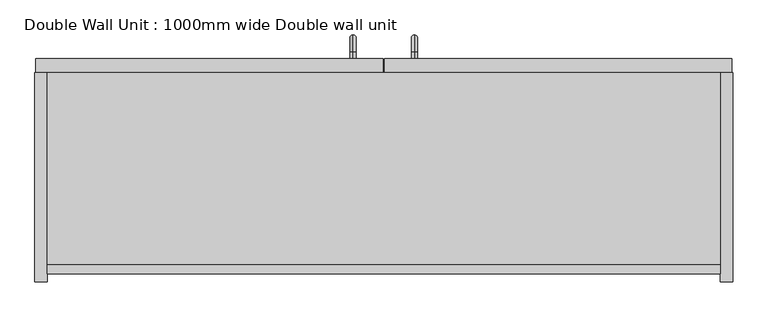
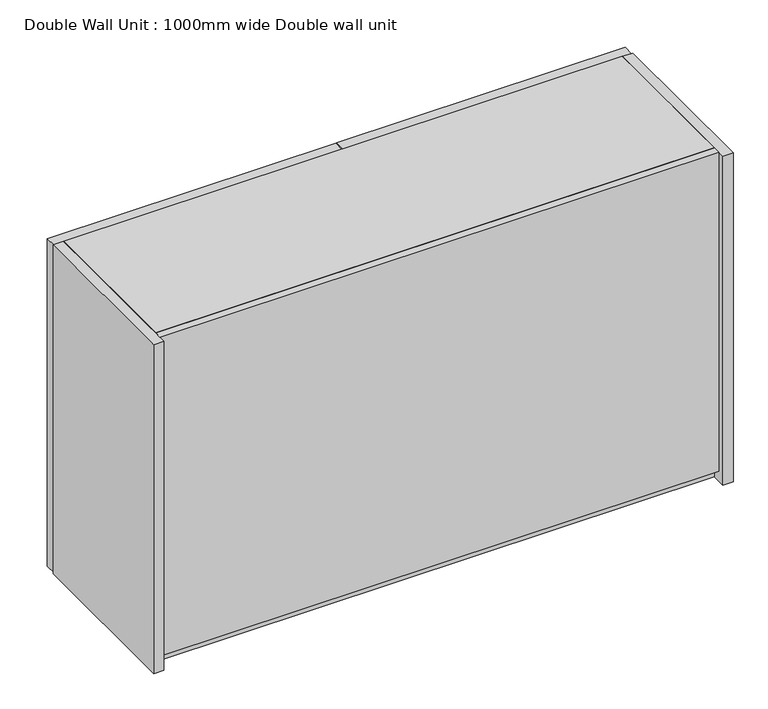
"""IFC4 building model written with IfcOpenShell, lengths in millimetres: furniture geometry, Double Wall Unit : 1000mm wide Double wall unit."""

from ifc_helpers import new_model, si_unit, point, frame, origin, place, context, project, spatial, polyline, circle_curve, ellipse_curve, trimmed, outline, extrude, source, transform, mapped, element, save
from ifc_brep_helpers import plane_surface, cylinder_surface, revolved_surface, advanced_brep


def double_wall_unit_1000mm_wide_double_wall_unit_ebbcaf90(model_context):
    return source(origin(), model_context, "Body", "SolidModel", [
        advanced_brep(
        [(41.0154021, 320.4, 1673.1697012), (41.0154021, 320.4, 1664.1697012), (41.0154021, 330.4, 1664.1697012), (41.0154021, 330.4, 1673.1697012), (41.0154021, 345.9, 1648.6697012), (41.0154021, 354.9, 1648.6697012), (41.0154021, 345.9, 1568.6697012), (41.0154021, 354.9, 1568.6697012), (41.0154021, 330.4, 1553.1697012), (41.0154021, 330.4, 1544.1697012), (41.0154021, 320.4, 1544.1697012), (41.0154021, 320.4, 1553.1697012)],
        [
            (0, 1, circle_curve(frame((41.0154021, 320.4, 1668.6697012), z_axis=(0.0, -1.0, 0.0), x_axis=(0.0, 0.0, -1.0)), 4.5)),
            (1, 0, circle_curve(frame((41.0154021, 320.4, 1668.6697012), z_axis=(0.0, -1.0, 0.0), x_axis=(0.0, 0.0, -1.0)), 4.5)),
            (1, 2),
            (2, 3, circle_curve(frame((41.0154021, 330.4, 1668.6697012), z_axis=(0.0, -1.0, 0.0), x_axis=(0.0, 0.0, -1.0)), 4.5)),
            (3, 0),
            (3, 2, circle_curve(frame((41.0154021, 330.4, 1668.6697012), z_axis=(0.0, -1.0, 0.0), x_axis=(0.0, 0.0, -1.0)), 4.5)),
            (4, 5, circle_curve(frame((41.0154021, 350.4, 1648.6697012), z_axis=(0.0, 0.0, 1.0), x_axis=(0.0, -1.0, 0.0)), 4.5)),
            (5, 3, circle_curve(frame((41.0154021, 330.4, 1648.6697012), z_axis=(1.0, 0.0, 0.0), x_axis=(0.0, 0.0, 1.0)), 24.5)),
            (2, 4, circle_curve(frame((41.0154021, 330.4, 1648.6697012), z_axis=(-1.0, 0.0, 0.0), x_axis=(0.0, 0.0, 1.0)), 15.5)),
            (5, 4, circle_curve(frame((41.0154021, 350.4, 1648.6697012), z_axis=(0.0, 0.0, 1.0), x_axis=(0.0, -1.0, 0.0)), 4.5)),
            (4, 6),
            (6, 7, circle_curve(frame((41.0154021, 350.4, 1568.6697012), z_axis=(0.0, 0.0, 1.0), x_axis=(0.0, -1.0, 0.0)), 4.5)),
            (7, 5),
            (7, 6, circle_curve(frame((41.0154021, 350.4, 1568.6697012), z_axis=(0.0, 0.0, 1.0), x_axis=(0.0, -1.0, 0.0)), 4.5)),
            (8, 9, circle_curve(frame((41.0154021, 330.4, 1548.6697012), z_axis=(0.0, 1.0, 0.0), x_axis=(0.0, 0.0, 1.0)), 4.5)),
            (9, 7, circle_curve(frame((41.0154021, 330.4, 1568.6697012), z_axis=(1.0, 0.0, 0.0), x_axis=(0.0, 1.0, 0.0)), 24.5)),
            (6, 8, circle_curve(frame((41.0154021, 330.4, 1568.6697012), z_axis=(-1.0, 0.0, 0.0), x_axis=(0.0, 1.0, 0.0)), 15.5)),
            (9, 8, circle_curve(frame((41.0154021, 330.4, 1548.6697012), z_axis=(0.0, 1.0, 0.0), x_axis=(0.0, 0.0, 1.0)), 4.5)),
            (10, 11, circle_curve(frame((41.0154021, 320.4, 1548.6697012), z_axis=(0.0, -1.0, 0.0), x_axis=(0.0, 0.0, 1.0)), 4.5)),
            (11, 10, circle_curve(frame((41.0154021, 320.4, 1548.6697012), z_axis=(0.0, -1.0, 0.0), x_axis=(0.0, 0.0, 1.0)), 4.5)),
            (8, 11),
            (10, 9),
        ],
        [
            plane_surface(frame((41.0154021, 320.4, 1668.6697012), z_axis=(0.0, -1.0, 0.0), x_axis=(1.0, 0.0, 0.0))),
            cylinder_surface(frame((41.0154021, 320.4, 1668.6697012), z_axis=(0.0, -1.0, 0.0), x_axis=(0.0, 0.0, -1.0)), 4.5),
            revolved_surface(trimmed(ellipse_curve(frame((41.0154021, 330.4, 1668.6697012), z_axis=(0.0, 1.0, 0.0), x_axis=(0.0, 0.0, -1.0)), 4.5, 4.5), [point((41.0154021, 330.4, 1673.1697012))], [point((41.0154021, 330.4, 1664.1697012))], True, "CARTESIAN"), (41.0154021, 330.4, 1648.6697012), (1.0, 0.0, 0.0)),
            revolved_surface(trimmed(ellipse_curve(frame((41.0154021, 330.4, 1668.6697012), z_axis=(0.0, 1.0, 0.0), x_axis=(0.0, 0.0, -1.0)), 4.5, 4.5), [point((41.0154021, 330.4, 1664.1697012))], [point((41.0154021, 330.4, 1673.1697012))], True, "CARTESIAN"), (41.0154021, 330.4, 1648.6697012), (1.0, 0.0, 0.0)),
            cylinder_surface(frame((41.0154021, 350.4, 1648.6697012), z_axis=(0.0, 0.0, 1.0), x_axis=(0.0, -1.0, 0.0)), 4.5),
            revolved_surface(trimmed(ellipse_curve(frame((41.0154021, 350.4, 1568.6697012), z_axis=(0.0, 0.0, -1.0), x_axis=(0.0, -1.0, 0.0)), 4.5, 4.5), [point((41.0154021, 354.9, 1568.6697012))], [point((41.0154021, 345.9, 1568.6697012))], True, "CARTESIAN"), (41.0154021, 330.4, 1568.6697012), (1.0, 0.0, 0.0)),
            revolved_surface(trimmed(ellipse_curve(frame((41.0154021, 350.4, 1568.6697012), z_axis=(0.0, 0.0, -1.0), x_axis=(0.0, -1.0, 0.0)), 4.5, 4.5), [point((41.0154021, 345.9, 1568.6697012))], [point((41.0154021, 354.9, 1568.6697012))], True, "CARTESIAN"), (41.0154021, 330.4, 1568.6697012), (1.0, 0.0, 0.0)),
            plane_surface(frame((41.0154021, 320.4, 1548.6697012), z_axis=(0.0, -1.0, 0.0), x_axis=(1.0, 0.0, 0.0))),
            cylinder_surface(frame((41.0154021, 330.4, 1548.6697012), z_axis=(0.0, 1.0, 0.0), x_axis=(0.0, 0.0, 1.0)), 4.5),
        ],
        [
            (0, [[1, 2]]),
            (1, [[3, 4, 5, -2]]),
            (1, [[-5, 6, -3, -1]]),
            (2, [[7, 8, -4, 9]]),
            (3, [[10, -9, -6, -8]]),
            (4, [[11, 12, 13, -7]]),
            (4, [[-13, 14, -11, -10]]),
            (5, [[15, 16, -12, 17]]),
            (6, [[18, -17, -14, -16]]),
            (7, [[19, 20]]),
            (8, [[21, -19, 22, -15]]),
            (8, [[-22, -20, -21, -18]]),
        ],
    ),
        advanced_brep(
        [(128.9845979, 320.4, 1673.1697012), (128.9845979, 320.4, 1664.1697012), (128.9845979, 330.4, 1673.1697012), (128.9845979, 330.4, 1664.1697012), (128.9845979, 345.9, 1648.6697012), (128.9845979, 354.9, 1648.6697012), (128.9845979, 354.9, 1568.6697012), (128.9845979, 345.9, 1568.6697012), (128.9845979, 330.4, 1553.1697012), (128.9845979, 330.4, 1544.1697012), (128.9845979, 320.4, 1544.1697012), (128.9845979, 320.4, 1553.1697012)],
        [
            (0, 1, circle_curve(frame((128.9845979, 320.4, 1668.6697012), z_axis=(0.0, -1.0, 0.0), x_axis=(0.0, 0.0, -1.0)), 4.5)),
            (1, 0, circle_curve(frame((128.9845979, 320.4, 1668.6697012), z_axis=(0.0, -1.0, 0.0), x_axis=(0.0, 0.0, -1.0)), 4.5)),
            (0, 2),
            (2, 3, circle_curve(frame((128.9845979, 330.4, 1668.6697012), z_axis=(0.0, -1.0, 0.0), x_axis=(0.0, 0.0, -1.0)), 4.5)),
            (3, 1),
            (3, 2, circle_curve(frame((128.9845979, 330.4, 1668.6697012), z_axis=(0.0, -1.0, 0.0), x_axis=(0.0, 0.0, -1.0)), 4.5)),
            (4, 3, circle_curve(frame((128.9845979, 330.4, 1648.6697012), z_axis=(1.0, 0.0, 0.0), x_axis=(0.0, 0.0, 1.0)), 15.5)),
            (2, 5, circle_curve(frame((128.9845979, 330.4, 1648.6697012), z_axis=(-1.0, 0.0, 0.0), x_axis=(0.0, 0.0, 1.0)), 24.5)),
            (5, 4, circle_curve(frame((128.9845979, 350.4, 1648.6697012), z_axis=(0.0, 0.0, 1.0), x_axis=(0.0, -1.0, 0.0)), 4.5)),
            (4, 5, circle_curve(frame((128.9845979, 350.4, 1648.6697012), z_axis=(0.0, 0.0, 1.0), x_axis=(0.0, -1.0, 0.0)), 4.5)),
            (5, 6),
            (6, 7, circle_curve(frame((128.9845979, 350.4, 1568.6697012), z_axis=(0.0, 0.0, 1.0), x_axis=(0.0, -1.0, 0.0)), 4.5)),
            (7, 4),
            (7, 6, circle_curve(frame((128.9845979, 350.4, 1568.6697012), z_axis=(0.0, 0.0, 1.0), x_axis=(0.0, -1.0, 0.0)), 4.5)),
            (8, 7, circle_curve(frame((128.9845979, 330.4, 1568.6697012), z_axis=(1.0, 0.0, 0.0), x_axis=(0.0, 1.0, 0.0)), 15.5)),
            (6, 9, circle_curve(frame((128.9845979, 330.4, 1568.6697012), z_axis=(-1.0, 0.0, 0.0), x_axis=(0.0, 1.0, 0.0)), 24.5)),
            (9, 8, circle_curve(frame((128.9845979, 330.4, 1548.6697012), z_axis=(0.0, 1.0, 0.0), x_axis=(0.0, 0.0, 1.0)), 4.5)),
            (8, 9, circle_curve(frame((128.9845979, 330.4, 1548.6697012), z_axis=(0.0, 1.0, 0.0), x_axis=(0.0, 0.0, 1.0)), 4.5)),
            (10, 11, circle_curve(frame((128.9845979, 320.4, 1548.6697012), z_axis=(0.0, -1.0, 0.0), x_axis=(0.0, 0.0, 1.0)), 4.5)),
            (11, 10, circle_curve(frame((128.9845979, 320.4, 1548.6697012), z_axis=(0.0, -1.0, 0.0), x_axis=(0.0, 0.0, 1.0)), 4.5)),
            (9, 10),
            (11, 8),
        ],
        [
            plane_surface(frame((128.9845979, 320.4, 1668.6697012), z_axis=(0.0, -1.0, 0.0), x_axis=(-1.0, 0.0, 0.0))),
            cylinder_surface(frame((128.9845979, 320.4, 1668.6697012), z_axis=(0.0, -1.0, 0.0), x_axis=(0.0, 0.0, -1.0)), 4.5),
            revolved_surface(trimmed(ellipse_curve(frame((128.9845979, 330.4, 1668.6697012), z_axis=(0.0, -1.0, 0.0), x_axis=(0.0, 0.0, -1.0)), 4.5, 4.5), [point((128.9845979, 330.4, 1673.1697012))], [point((128.9845979, 330.4, 1664.1697012))], True, "CARTESIAN"), (128.9845979, 330.4, 1648.6697012), (-1.0, 0.0, 0.0)),
            revolved_surface(trimmed(ellipse_curve(frame((128.9845979, 330.4, 1668.6697012), z_axis=(0.0, -1.0, 0.0), x_axis=(0.0, 0.0, -1.0)), 4.5, 4.5), [point((128.9845979, 330.4, 1664.1697012))], [point((128.9845979, 330.4, 1673.1697012))], True, "CARTESIAN"), (128.9845979, 330.4, 1648.6697012), (-1.0, 0.0, 0.0)),
            cylinder_surface(frame((128.9845979, 350.4, 1648.6697012), z_axis=(0.0, 0.0, 1.0), x_axis=(0.0, -1.0, 0.0)), 4.5),
            revolved_surface(trimmed(ellipse_curve(frame((128.9845979, 350.4, 1568.6697012), z_axis=(0.0, 0.0, 1.0), x_axis=(0.0, -1.0, 0.0)), 4.5, 4.5), [point((128.9845979, 354.9, 1568.6697012))], [point((128.9845979, 345.9, 1568.6697012))], True, "CARTESIAN"), (128.9845979, 330.4, 1568.6697012), (-1.0, 0.0, 0.0)),
            revolved_surface(trimmed(ellipse_curve(frame((128.9845979, 350.4, 1568.6697012), z_axis=(0.0, 0.0, 1.0), x_axis=(0.0, -1.0, 0.0)), 4.5, 4.5), [point((128.9845979, 345.9, 1568.6697012))], [point((128.9845979, 354.9, 1568.6697012))], True, "CARTESIAN"), (128.9845979, 330.4, 1568.6697012), (-1.0, 0.0, 0.0)),
            plane_surface(frame((128.9845979, 320.4, 1548.6697012), z_axis=(0.0, -1.0, 0.0), x_axis=(-1.0, 0.0, 0.0))),
            cylinder_surface(frame((128.9845979, 330.4, 1548.6697012), z_axis=(0.0, 1.0, 0.0), x_axis=(0.0, 0.0, 1.0)), 4.5),
        ],
        [
            (0, [[1, 2]]),
            (1, [[-1, 3, 4, 5]]),
            (1, [[-2, -5, 6, -3]]),
            (2, [[7, -4, 8, 9]]),
            (3, [[-8, -6, -7, 10]]),
            (4, [[-9, 11, 12, 13]]),
            (4, [[-10, -13, 14, -11]]),
            (5, [[15, -12, 16, 17]]),
            (6, [[-16, -14, -15, 18]]),
            (7, [[19, 20]]),
            (8, [[-17, 21, -20, 22]]),
            (8, [[-18, -22, -19, -21]]),
        ],
    ),
        extrude(outline(polyline([(583.47, 320.4), (583.47, 300.4), (86.0, 300.4), (86.0, 320.4), (583.47, 320.4)])), frame((0.0, 0.0, 1501.5), z_axis=(0.0, 0.0, 1.0), x_axis=(1.0, 0.0, 0.0)), (0.0, 0.0, 1.0), 597.0),
        extrude(outline(polyline([(-413.5, 320.4), (84.0, 320.4), (84.0, 300.4), (-413.5, 300.4), (-413.5, 320.4)])), frame((0.0, 0.0, 1501.5), z_axis=(0.0, 0.0, 1.0), x_axis=(1.0, 0.0, 0.0)), (0.0, 0.0, 1.0), 597.0),
        extrude(outline(polyline([(567.0, 25.4), (-397.0, 25.4), (-397.0, 300.4), (567.0, 300.4), (567.0, 25.4)])), frame((0.0, 0.0, 1500.0), z_axis=(0.0, 0.0, 1.0), x_axis=(1.0, 0.0, 0.0)), (0.0, 0.0, 1.0), 18.0),
        extrude(outline(polyline([(567.0, 25.4), (-397.0, 25.4), (-397.0, 300.4), (567.0, 300.4), (567.0, 25.4)])), frame((0.0, 0.0, 2082.0), z_axis=(0.0, 0.0, 1.0), x_axis=(1.0, 0.0, 0.0)), (0.0, 0.0, 1.0), 18.0),
        extrude(outline(polyline([(567.0, 25.4), (567.0, 12.4), (-397.0, 12.4), (-397.0, 25.4), (567.0, 25.4)])), frame((0.0, 0.0, 1518.0), z_axis=(0.0, 0.0, 1.0), x_axis=(1.0, 0.0, 0.0)), (0.0, 0.0, 1.0), 582.0),
        extrude(outline(polyline([(-397.0, 0.4), (-415.0, 0.4), (-415.0, 300.4), (-397.0, 300.4), (-397.0, 0.4)])), frame((0.0, 0.0, 1500.0), z_axis=(0.0, 0.0, 1.0), x_axis=(1.0, 0.0, 0.0)), (0.0, 0.0, 1.0), 600.0),
        extrude(outline(polyline([(585.0, 0.4), (567.0, 0.4), (567.0, 300.4), (585.0, 300.4), (585.0, 0.4)])), frame((0.0, 0.0, 1500.0), z_axis=(0.0, 0.0, 1.0), x_axis=(1.0, 0.0, 0.0)), (0.0, 0.0, 1.0), 600.0),
    ])


if __name__ == "__main__":
    model = new_model("IFC4")
    model_context = context("Model", 3, world=origin())
    ifc_project = project(units=[si_unit("LENGTHUNIT", "METRE", prefix="MILLI")], contexts=[model_context])
    site = spatial("IfcSite", under=ifc_project)
    building = spatial("IfcBuilding", under=site)
    placement = place(None, origin())
    double_wall_unit_1000mm_wide_double_wall_unit_shape = double_wall_unit_1000mm_wide_double_wall_unit_ebbcaf90(model_context)
    element("IfcFurniture", 1, ObjectType="Double Wall Unit : 1000mm wide Double wall unit", at=placement, inside=building, context=model_context, shape_type="MappedRepresentation", body=[
        mapped(double_wall_unit_1000mm_wide_double_wall_unit_shape, transform((0.0, 0.0, 0.0), x_axis=(1.0, 0.0, 0.0), y_axis=(0.0, 1.0, 0.0), z_axis=(0.0, 0.0, 1.0))),
    ])
    save(model, "model.ifc")
